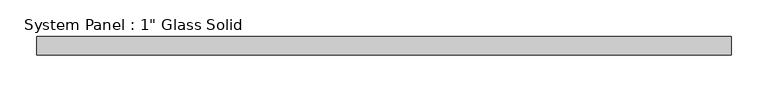
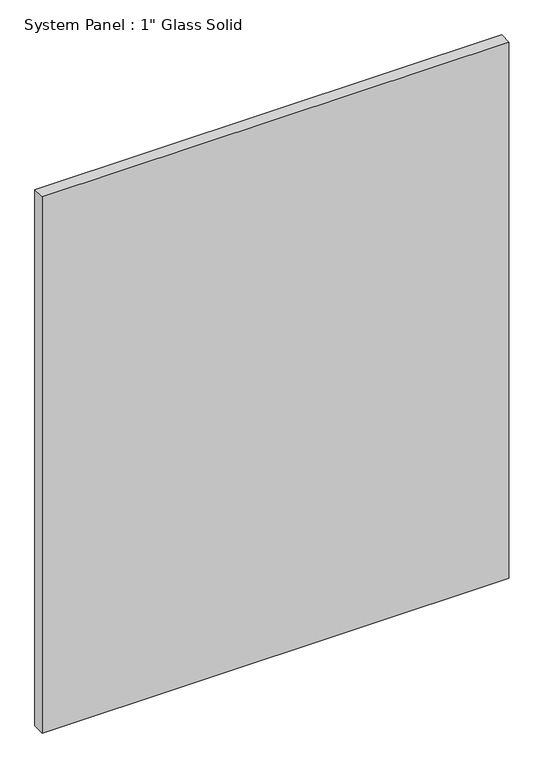
"""IFC4 building model written with IfcOpenShell, lengths in millimetres: plate geometry."""

from ifc_helpers import new_model, si_unit, origin, origin_with_axes, place, context, project, spatial, polyline, outline, extrude, source, transform, mapped, element, save


def plate_d2af30e5(model_context):
    return source(origin(), model_context, "Body", "SweptSolid", [
        extrude(outline(polyline([(473.075, -12.7), (-473.075, -12.7), (-473.075, 12.7), (473.075, 12.7), (473.075, -12.7)])), origin_with_axes(), (0.0, 0.0, 1.0), 1149.3517704),
    ])


if __name__ == "__main__":
    model = new_model("IFC4")
    model_context = context("Model", 3, world=origin())
    ifc_project = project(units=[si_unit("LENGTHUNIT", "METRE", prefix="MILLI")], contexts=[model_context])
    site = spatial("IfcSite", under=ifc_project)
    building = spatial("IfcBuilding", under=site)
    placement = place(None, origin())
    plate_shape = plate_d2af30e5(model_context)
    element("IfcPlate", 1, ObjectType="System Panel : 1\" Glass Solid", at=placement, inside=building, context=model_context, shape_type="MappedRepresentation", body=[
        mapped(plate_shape, transform((0.0, 0.0, 0.0), x_axis=(1.0, 0.0, 0.0), y_axis=(0.0, 1.0, 0.0), z_axis=(0.0, 0.0, 1.0))),
    ])
    save(model, "model.ifc")
